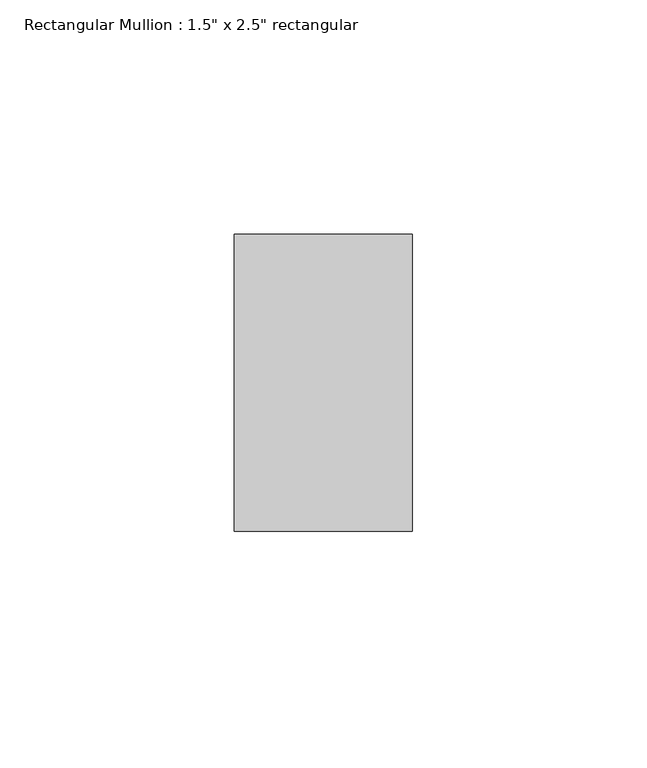
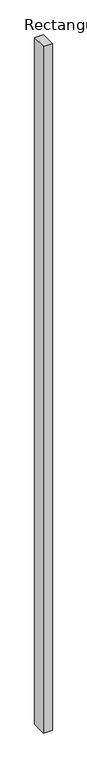
"""IFC4 building model written with IfcOpenShell, lengths in millimetres: member geometry."""

from ifc_helpers import new_model, si_unit, frame, origin, place, context, project, spatial, polyline, outline, extrude, source, transform, mapped, element, save


def member_22857a54(model_context):
    return source(origin(), model_context, "Body", "SweptSolid", [
        extrude(outline(polyline([(19.05, 31.75), (19.05, -31.75), (-19.05, -31.75), (-19.05, 31.75), (19.05, 31.75)])), frame((0.0, 0.0, -3076.8067007), z_axis=(0.0, 0.0, 1.0), x_axis=(1.0, 0.0, 0.0)), (0.0, 0.0, 1.0), 3076.8067007),
    ])


if __name__ == "__main__":
    model = new_model("IFC4")
    model_context = context("Model", 3, world=origin())
    ifc_project = project(units=[si_unit("LENGTHUNIT", "METRE", prefix="MILLI")], contexts=[model_context])
    site = spatial("IfcSite", under=ifc_project)
    building = spatial("IfcBuilding", under=site)
    placement = place(None, origin())
    member_shape = member_22857a54(model_context)
    element("IfcMember", 1, ObjectType="Rectangular Mullion : 1.5\" x 2.5\" rectangular", at=placement, inside=building, context=model_context, shape_type="MappedRepresentation", body=[
        mapped(member_shape, transform((0.0, 0.0, 0.0), x_axis=(1.0, 0.0, 0.0), y_axis=(0.0, 1.0, 0.0), z_axis=(0.0, 0.0, 1.0))),
    ])
    save(model, "model.ifc")
